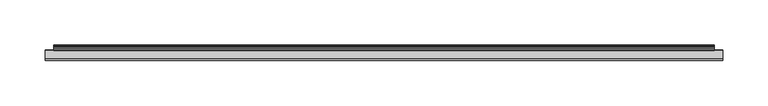
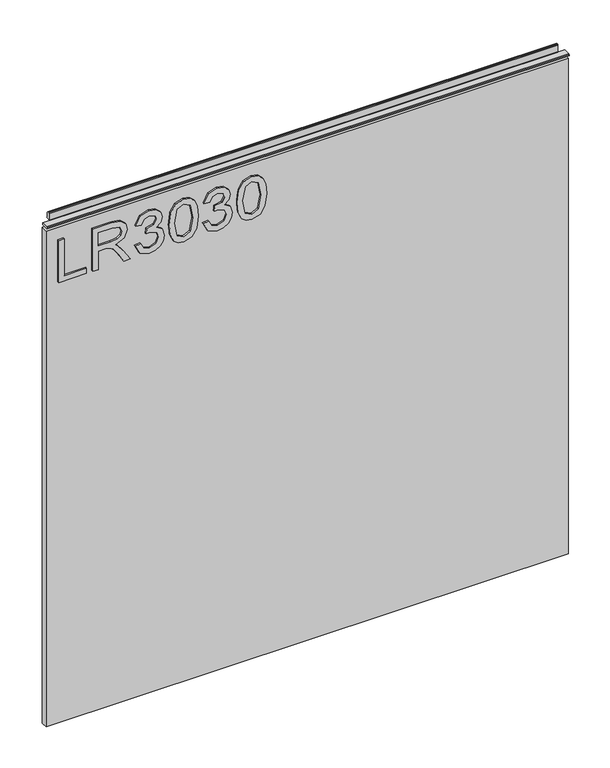
"""IFC4 building model written with IfcOpenShell, lengths in millimetres: furniture geometry."""

from ifc_helpers import new_model, si_unit, frame, origin, place, context, project, spatial, polyline, outline, extrude, source, transform, mapped, element, save


def furniture_5b4ddff5(model_context):
    return source(origin(), model_context, "Body", "SweptSolid", [
        extrude(outline(polyline([(773.6078, -281.6939953), (773.6078, -241.8253972), (781.5815196, -241.8253972), (781.5815196, -273.7202757), (837.3975569, -273.7202757), (837.3975569, -281.6939953), (773.6078, -281.6939953)])), frame((0.0, -5.4626842, 0.0), z_axis=(0.0, 1.0, 0.0), x_axis=(0.0, 0.0, 1.0)), (0.0, 0.0, 1.0), 2.38125),
        extrude(outline(polyline([(773.6078, -232.8549627), (773.6078, -224.8812431), (801.5158187, -224.8812431), (801.5158187, -215.2567143), (801.2354926, -210.631334), (799.7170596, -206.8391451), (795.58225, -202.626467), (786.8298468, -196.6306036), (773.6078, -188.3298369), (773.6078, -179.0635026), (790.894575, -189.70032), (799.1018996, -196.1633935), (802.5125336, -200.6953318), (808.4461023, -187.3409088), (819.9394716, -183.0192151), (829.5873609, -185.627805), (835.6766663, -192.6048096), (837.3975569, -205.3674331), (837.3975569, -232.8549627), (773.6078, -232.8549627)]), holes=[polyline([(809.4895383, -224.8812431), (829.4238373, -224.8812431), (829.4238373, -205.0248124), (826.6672975, -194.3646345), (819.6435719, -190.9929347), (814.2317211, -192.7605464), (810.6186294, -197.9310052), (809.4895383, -207.0338159), (809.4895383, -224.8812431)])]), frame((0.0, -5.4626842, 0.0), z_axis=(0.0, 1.0, 0.0), x_axis=(0.0, 0.0, 1.0)), (0.0, 0.0, 1.0), 2.38125),
        extrude(outline(polyline([(790.5519542, -172.0553506), (777.6102335, -165.7168664), (772.611085, -151.7317098), (774.0750101, -143.2090182), (778.4667854, -136.2982017), (784.9610063, -131.7195424), (792.7322681, -130.1933226), (803.1043331, -133.2457621), (808.555118, -141.9358706), (813.8345925, -135.3949287), (821.1853653, -133.1834674), (829.2291664, -135.5117313), (835.2094562, -142.2395572), (837.3975569, -151.8562991), (832.9590607, -164.5332674), (820.4534028, -171.0586356), (819.4566878, -163.084916), (826.9320499, -159.1759246), (829.4238373, -151.5759731), (826.9554105, -144.0694636), (820.7181552, -141.1571871), (813.6788558, -145.1751942), (811.4829682, -155.5005382), (803.5092486, -156.3882374), (804.3813742, -150.7972895), (801.11869, -141.7334129), (792.8724312, -138.1670422), (784.120028, -141.7645602), (780.5848047, -151.4513837), (783.1544604, -159.6820689), (791.5486691, -164.081631), (790.5519542, -172.0553506)])), frame((0.0, -5.4626842, 0.0), z_axis=(0.0, 1.0, 0.0), x_axis=(0.0, 0.0, 1.0)), (0.0, 0.0, 1.0), 2.38125),
        extrude(outline(polyline([(804.9887473, -123.2163179), (789.4734775, -121.6278035), (778.6848168, -116.8622601), (774.129518, -110.570497), (772.611085, -102.2853039), (776.1073742, -90.6128374), (786.7130443, -83.6747669), (804.9887473, -81.3542899), (819.9784058, -82.8026413), (829.4160505, -86.5403224), (835.3418324, -92.9722486), (837.3975569, -102.2853039), (833.9246283, -113.9110494), (823.3423188, -120.8724804), (804.9887473, -123.2163179)]), holes=[polyline([(805.004321, -115.2425983), (825.1566514, -111.3803279), (829.4238373, -102.378746), (824.5804256, -92.9411012), (805.004321, -89.3280095), (785.2179718, -93.0656906), (780.5848047, -102.2853039), (785.2023982, -111.5049172), (805.004321, -115.2425983)])]), frame((0.0, -5.4626842, 0.0), z_axis=(0.0, 1.0, 0.0), x_axis=(0.0, 0.0, 1.0)), (0.0, 0.0, 1.0), 2.38125),
        extrude(outline(polyline([(790.5519542, -74.3772853), (777.6102335, -68.0388011), (772.611085, -54.0536444), (774.0750101, -45.5309529), (778.4667854, -38.6201364), (784.9610063, -34.041477), (792.7322681, -32.5152573), (803.1043331, -35.5676968), (808.555118, -44.2578053), (813.8345925, -37.7168634), (821.1853653, -35.5054021), (829.2291664, -37.833666), (835.2094562, -44.5614919), (837.3975569, -54.1782338), (832.9590607, -66.8552021), (820.4534028, -73.3805703), (819.4566878, -65.4068507), (826.9320499, -61.4978592), (829.4238373, -53.8979077), (826.9554105, -46.3913982), (820.7181552, -43.4791217), (813.6788558, -47.4971289), (811.4829682, -57.8224729), (803.5092486, -58.7101721), (804.3813742, -53.1192242), (801.11869, -44.0553476), (792.8724312, -40.4889769), (784.120028, -44.0864949), (780.5848047, -53.7733184), (783.1544604, -62.0040036), (791.5486691, -66.4035656), (790.5519542, -74.3772853)])), frame((0.0, -5.4626842, 0.0), z_axis=(0.0, 1.0, 0.0), x_axis=(0.0, 0.0, 1.0)), (0.0, 0.0, 1.0), 2.38125),
        extrude(outline(polyline([(804.9887473, -25.5382526), (789.4734775, -23.9497381), (778.6848168, -19.1841948), (774.129518, -12.8924316), (772.611085, -4.6072386), (776.1073742, 7.0652279), (786.7130443, 14.0032984), (804.9887473, 16.3237754), (819.9784058, 14.875424), (829.4160505, 11.1377429), (835.3418324, 4.7058167), (837.3975569, -4.6072386), (833.9246283, -16.2329841), (823.3423188, -23.1944151), (804.9887473, -25.5382526)]), holes=[polyline([(805.004321, -17.564533), (825.1566514, -13.7022625), (829.4238373, -4.7006806), (824.5804256, 4.7369641), (805.004321, 8.3500558), (785.2179718, 4.6123747), (780.5848047, -4.6072386), (785.2023982, -13.8268519), (805.004321, -17.564533)])]), frame((0.0, -5.4626842, 0.0), z_axis=(0.0, 1.0, 0.0), x_axis=(0.0, 0.0, 1.0)), (0.0, 0.0, 1.0), 2.38125),
        extrude(outline(polyline([(5.5562561, 863.6), (6.3500061, 863.6), (6.3500061, 873.47425), (7.1437561, 874.268), (8.6677569, 874.268), (10.0084363, 873.8506926), (10.875413, 872.7461816), (10.9623604, 871.3447591), (10.2390011, 868.3863459), (10.4046103, 867.1833307), (11.6746103, 864.9836103), (10.7786383, 864.4663244), (7.1437561, 864.4663244), (7.1437561, 863.6), (6.3500061, 863.3669239), (6.3500061, 856.1578), (5.5562561, 856.1578), (5.5562561, 863.6)])), frame((-288.671, 0.0, 0.0), z_axis=(1.0, 0.0, 0.0), x_axis=(0.0, 1.0, 0.0)), (0.0, 0.0, 1.0), 729.742),
        extrude(outline(polyline([(5.5562561, 863.6), (5.5562561, 860.4249996), (-3.975094, 860.4249996), (-5.3492339, 861.2183657), (-5.3492339, 862.8066395), (-3.9751037, 863.6), (5.5562561, 863.6)])), frame((-298.196, 0.0, 0.0), z_axis=(1.0, 0.0, 0.0), x_axis=(0.0, 1.0, 0.0)), (0.0, 0.0, 1.0), 748.792),
        extrude(outline(polyline([(450.596, 6.3500061), (450.596, -3.1749939), (-298.196, -3.1749939), (-298.196, 6.3500061), (450.596, 6.3500061)])), frame((0.0, 0.0, 104.69626), z_axis=(0.0, 0.0, 1.0), x_axis=(1.0, 0.0, 0.0)), (0.0, 0.0, 1.0), 751.46154),
    ])


if __name__ == "__main__":
    model = new_model("IFC4")
    model_context = context("Model", 3, world=origin())
    ifc_project = project(units=[si_unit("LENGTHUNIT", "METRE", prefix="MILLI")], contexts=[model_context])
    site = spatial("IfcSite", under=ifc_project)
    building = spatial("IfcBuilding", under=site)
    placement = place(None, origin())
    furniture_shape = furniture_5b4ddff5(model_context)
    element("IfcFurniture", 1, at=placement, inside=building, context=model_context, shape_type="MappedRepresentation", body=[
        mapped(furniture_shape, transform((0.0, 0.0, 0.0), x_axis=(1.0, 0.0, 0.0), y_axis=(0.0, 1.0, 0.0), z_axis=(0.0, 0.0, 1.0))),
    ])
    save(model, "model.ifc")
